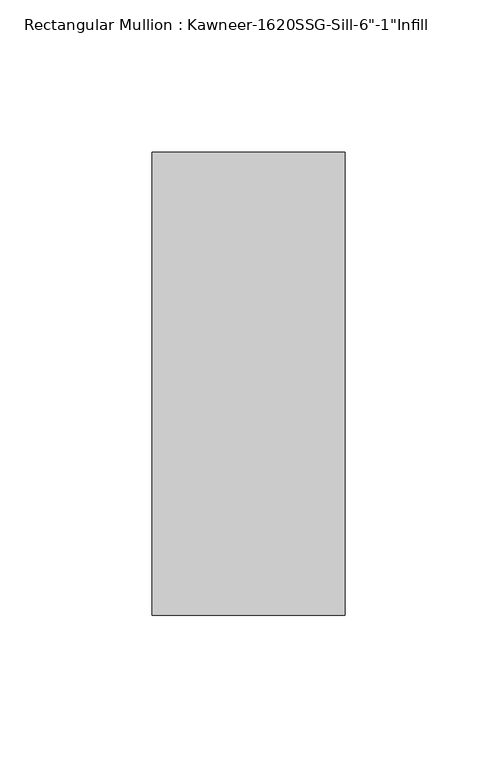
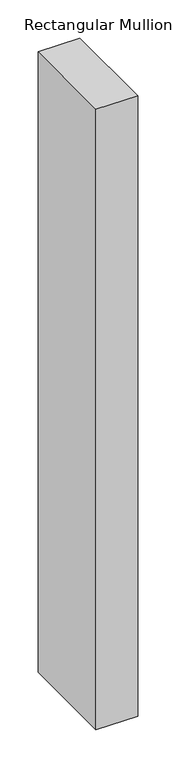
"""IFC4 building model written with IfcOpenShell, lengths in millimetres: member geometry."""

from ifc_helpers import new_model, si_unit, frame, origin, place, context, project, spatial, polyline, outline, extrude, source, transform, mapped, element, save


def member_32cf5976(model_context):
    return source(origin(), model_context, "Body", "SweptSolid", [
        extrude(outline(polyline([(-63.5, 38.1), (0.0, 38.1), (0.0, -114.3), (-63.5, -114.3), (-63.5, 38.1)])), frame((0.0, 0.0, -996.8565367), z_axis=(0.0, 0.0, 1.0), x_axis=(1.0, 0.0, 0.0)), (0.0, 0.0, 1.0), 996.8565367),
    ])


if __name__ == "__main__":
    model = new_model("IFC4")
    model_context = context("Model", 3, world=origin())
    ifc_project = project(units=[si_unit("LENGTHUNIT", "METRE", prefix="MILLI")], contexts=[model_context])
    site = spatial("IfcSite", under=ifc_project)
    building = spatial("IfcBuilding", under=site)
    placement = place(None, origin())
    member_shape = member_32cf5976(model_context)
    element("IfcMember", 1, ObjectType="Rectangular Mullion : Kawneer-1620SSG-Sill-6\"-1\"Infill", at=placement, inside=building, context=model_context, shape_type="MappedRepresentation", body=[
        mapped(member_shape, transform((0.0, 0.0, 0.0), x_axis=(1.0, 0.0, 0.0), y_axis=(0.0, 1.0, 0.0), z_axis=(0.0, 0.0, 1.0))),
    ])
    save(model, "model.ifc")
